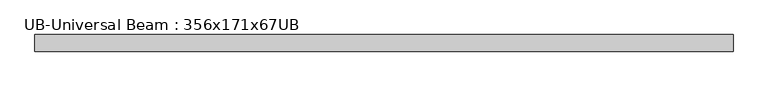
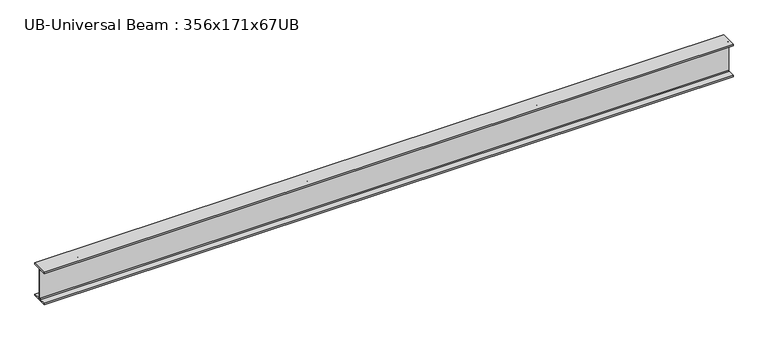
"""IFC4 building model written with IfcOpenShell, lengths in millimetres: beam geometry, UB-Universal Beam : 356x171x67UB."""

import ifcopenshell
import ifcopenshell.guid

model = None  # the IFC model being written
_history = None  # IfcOwnerHistory: only IFC2X3 demands one
_inside = {}  # id of a spatial element -> (the spatial element, [elements in it])
_under = {}  # id of a project, library or spatial element -> (it, [spatial elements below it])
_declared = {}  # id of a project -> (the project, [libraries it declares])
_typed = {}  # id of a type object -> (the type object, [elements of that type])
_made_of = {}  # id of a material, layer set ... -> (it, [elements and type objects made of it])


def new_model(schema):
    """Start an empty IFC model of exactly this schema.

    Asked for "IFC4X3", IfcOpenShell would pick the latest addendum, in which some entities
    have other attributes; the version numbers below select the first issue.
    IFC2X3 requires an IfcOwnerHistory on every rooted entity: one is made here for all.
    """
    global model, _history
    if schema == "IFC4X3":
        model = ifcopenshell.file(schema_version=(4, 3, 0, 0))
    else:
        model = ifcopenshell.file(schema=schema)
    _inside.clear()
    _under.clear()
    _declared.clear()
    _typed.clear()
    _made_of.clear()
    _history = None
    if model.schema == "IFC2X3":
        org = make("IfcOrganization", Name="unknown")
        user = make(
            "IfcPersonAndOrganization",
            ThePerson=make("IfcPerson", FamilyName="unknown"),
            TheOrganization=org,
        )
        app = make(
            "IfcApplication",
            ApplicationDeveloper=org,
            Version="unknown",
            ApplicationFullName="unknown",
            ApplicationIdentifier="unknown",
        )
        _history = make(
            "IfcOwnerHistory",
            OwningUser=user,
            OwningApplication=app,
            ChangeAction="ADDED",
            CreationDate=0,
        )
    return model


def make(cls, **values):
    """One entity of the class cls with the attributes given. An attribute that is None is left unset."""
    return model.create_entity(
        cls, **{name: value for name, value in values.items() if value is not None}
    )


def rooted(cls, **values):
    """An entity with a GlobalId (a new one), such as an element, a storey or a relation."""
    return make(cls, GlobalId=ifcopenshell.guid.new(), OwnerHistory=_history, **values)


def si_unit(unit_type, name, prefix=None):
    """IfcSIUnit, for example si_unit("LENGTHUNIT", "METRE", prefix="MILLI")."""
    return make("IfcSIUnit", UnitType=unit_type, Prefix=prefix, Name=name)


def assignment(units):
    """IfcUnitAssignment: the units of a project."""
    return None if units is None else make("IfcUnitAssignment", Units=units)


def point(xyz):
    """IfcCartesianPoint."""
    return None if xyz is None else make("IfcCartesianPoint", Coordinates=xyz)


def direction(xyz):
    """IfcDirection."""
    return None if xyz is None else make("IfcDirection", DirectionRatios=xyz)


def frame(location, z_axis=None, x_axis=None):
    """IfcAxis2Placement3D, a coordinate frame: its origin and axes. An axis left out is left unset."""
    return make(
        "IfcAxis2Placement3D",
        Location=point(location),
        Axis=direction(z_axis),
        RefDirection=direction(x_axis),
    )


def frame_2d(location, x_axis=None):
    """IfcAxis2Placement2D, a coordinate frame in the plane: its origin and x axis."""
    return make(
        "IfcAxis2Placement2D", Location=point(location), RefDirection=direction(x_axis)
    )


def origin():
    """The frame at (0, 0, 0) with its axes left unset."""
    return frame((0.0, 0.0, 0.0))


def place(relative_to, where):
    """IfcLocalPlacement: puts the frame where relative to a parent placement (None: the world)."""
    return make(
        "IfcLocalPlacement", PlacementRelTo=relative_to, RelativePlacement=where
    )


def context(
    kind, dimensions, precision=None, world=None, true_north=None, identifier=None
):
    """IfcGeometricRepresentationContext, for example the 3D "Model" context."""
    return make(
        "IfcGeometricRepresentationContext",
        ContextIdentifier=identifier,
        ContextType=kind,
        CoordinateSpaceDimension=dimensions,
        Precision=precision,
        WorldCoordinateSystem=world,
        TrueNorth=true_north,
    )


def project(units=None, contexts=None):
    """IfcProject with its units and contexts."""
    return rooted(
        "IfcProject",
        Name="project",
        RepresentationContexts=contexts,
        UnitsInContext=assignment(units),
    )


def spatial(cls, under=None, at=None, **own):
    """A site, building, storey or space (cls), placed at a placement, below another one or the project."""
    s = rooted(cls, ObjectPlacement=at, **own)
    if under is not None:
        _under.setdefault(under.id(), (under, []))[1].append(s)
    return s


def polyline(points):
    """IfcPolyline through the points."""
    return make("IfcPolyline", Points=[point(p) for p in points])


def circle_curve(where, radius):
    """IfcCircle in the frame where."""
    return make("IfcCircle", Position=where, Radius=radius)


def trimmed(basis, trim1, trim2, sense, master):
    """IfcTrimmedCurve: the piece of a basis curve between two trims."""
    return make(
        "IfcTrimmedCurve",
        BasisCurve=basis,
        Trim1=trim1,
        Trim2=trim2,
        SenseAgreement=sense,
        MasterRepresentation=master,
    )


def segment(curve, same_sense, transition):
    """IfcCompositeCurveSegment."""
    return make(
        "IfcCompositeCurveSegment",
        Transition=transition,
        SameSense=same_sense,
        ParentCurve=curve,
    )


def composite_curve(segments, self_intersect=None):
    """IfcCompositeCurve: segments joined end to end."""
    return make("IfcCompositeCurve", Segments=segments, SelfIntersect=self_intersect)


def outline(outer, holes=None, kind="AREA"):
    """IfcArbitraryClosedProfileDef: a profile drawn as a closed curve; with holes, ...WithVoids."""
    if holes is None:
        return make("IfcArbitraryClosedProfileDef", ProfileType=kind, OuterCurve=outer)
    return make(
        "IfcArbitraryProfileDefWithVoids",
        ProfileType=kind,
        OuterCurve=outer,
        InnerCurves=holes,
    )


def extrude(swept, where, along, depth):
    """IfcExtrudedAreaSolid: the profile swept, set in the frame where, extruded along a direction by depth."""
    return make(
        "IfcExtrudedAreaSolid",
        SweptArea=swept,
        Position=where,
        ExtrudedDirection=direction(along),
        Depth=depth,
    )


def shape(context_of_items, identifier, shape_type, items):
    """IfcShapeRepresentation: the items that make up one representation, for example the "Body"."""
    return make(
        "IfcShapeRepresentation",
        ContextOfItems=context_of_items,
        RepresentationIdentifier=identifier,
        RepresentationType=shape_type,
        Items=items,
    )


def source(mapping_origin, context_of_items, identifier, shape_type, items):
    """IfcRepresentationMap: a shape defined once, which mapped items show again and again."""
    return make(
        "IfcRepresentationMap",
        MappingOrigin=mapping_origin,
        MappedRepresentation=shape(context_of_items, identifier, shape_type, items),
    )


def transform(
    local_origin,
    x_axis=None,
    y_axis=None,
    z_axis=None,
    scale=None,
    scale2=None,
    scale3=None,
    uniform=True,
):
    """IfcCartesianTransformationOperator3D, or its non-uniform kind. x_axis, y_axis, z_axis: its Axis1, 2, 3."""
    if uniform:
        return make(
            "IfcCartesianTransformationOperator3D",
            Axis1=direction(x_axis),
            Axis2=direction(y_axis),
            LocalOrigin=point(local_origin),
            Scale=scale,
            Axis3=direction(z_axis),
        )
    return make(
        "IfcCartesianTransformationOperator3DnonUniform",
        Axis1=direction(x_axis),
        Axis2=direction(y_axis),
        LocalOrigin=point(local_origin),
        Scale=scale,
        Axis3=direction(z_axis),
        Scale2=scale2,
        Scale3=scale3,
    )


def mapped(mapping_source, mapping_target):
    """IfcMappedItem: shows the shape of a source again, moved by a transform."""
    return make(
        "IfcMappedItem", MappingSource=mapping_source, MappingTarget=mapping_target
    )


def made_of(thing, what):
    """Note that an element or type object is made of a material, layer set ...; save() writes the relation."""
    if what is not None:
        _made_of.setdefault(what.id(), (what, []))[1].append(thing)
    return thing


def element(
    cls,
    number,
    at=None,
    inside=None,
    cuts=None,
    type_object=None,
    material=None,
    context=None,
    identifier="Body",
    shape_type=None,
    held_by="IfcProductDefinitionShape",
    body=None,
    shapes=None,
    **own,
):
    """One element of the class cls, such as IfcWall. Its Tag is "e" and its number.

    at: its placement. inside: the storey or other place that contains it. cuts: it is an
    opening in that element (IfcRelVoidsElement). A single representation is given by context,
    identifier, shape_type and body (its items); several are given by shapes. held_by: the class
    of the entity that holds the representations. save() writes the other relations.
    """
    e = rooted(cls, Tag="e%d" % number, ObjectPlacement=at, **own)
    if body is not None:
        shapes = [shape(context, identifier, shape_type, body)]
    if shapes is not None:
        e.Representation = make(held_by, Representations=shapes)
    if inside is not None:
        _inside.setdefault(inside.id(), (inside, []))[1].append(e)
    if cuts is not None:
        rooted(
            "IfcRelVoidsElement", RelatingBuildingElement=cuts, RelatedOpeningElement=e
        )
    if type_object is not None:
        _typed.setdefault(type_object.id(), (type_object, []))[1].append(e)
    return made_of(e, material)


def aggregate(whole, parts):
    """IfcRelAggregates: a whole, such as a stair, and the parts it consists of."""
    return rooted("IfcRelAggregates", RelatingObject=whole, RelatedObjects=parts)


def save(model, path):
    """Write the relations noted so far, then the file.

    IfcRelAggregates (storeys below a building ...), IfcRelContainedInSpatialStructure (elements
    in a storey), IfcRelDefinesByType, IfcRelAssociatesMaterial and IfcRelDeclares: one each for
    every whole, place, type object, material and project.
    """
    for whole, parts in _under.values():
        aggregate(whole, parts)
    for where, things in _inside.values():
        rooted(
            "IfcRelContainedInSpatialStructure",
            RelatedElements=things,
            RelatingStructure=where,
        )
    for kind, things in _typed.values():
        rooted("IfcRelDefinesByType", RelatedObjects=things, RelatingType=kind)
    for what, things in _made_of.values():
        rooted("IfcRelAssociatesMaterial", RelatedObjects=things, RelatingMaterial=what)
    for by, libraries in _declared.values():
        rooted("IfcRelDeclares", RelatingContext=by, RelatedDefinitions=libraries)
    model.write(path)


def ub_universal_beam_356x171x67ub_46ae002a(model_context):
    return source(origin(), model_context, "Body", "SweptSolid", [
        extrude(outline(composite_curve([segment(polyline([(86.6, -166.0), (86.6, -181.7), (-86.6, -181.7), (-86.6, -166.0), (-14.75, -166.0)]), True, "CONTINUOUS"), segment(trimmed(circle_curve(frame_2d((-14.75, -155.8)), 10.2), [point((-14.75, -166.0))], [point((-4.55, -155.8))], True, "CARTESIAN"), True, "CONTINUOUS"), segment(polyline([(-4.55, -155.8), (-4.55, 155.8)]), True, "CONTINUOUS"), segment(trimmed(circle_curve(frame_2d((-14.75, 155.8)), 10.2), [point((-4.55, 155.8))], [point((-14.75, 166.0))], True, "CARTESIAN"), True, "CONTINUOUS"), segment(polyline([(-14.75, 166.0), (-86.6, 166.0), (-86.6, 181.7), (86.6, 181.7), (86.6, 166.0), (14.75, 166.0)]), True, "CONTINUOUS"), segment(trimmed(circle_curve(frame_2d((14.75, 155.8)), 10.2), [point((14.75, 166.0))], [point((4.55, 155.8))], True, "CARTESIAN"), True, "CONTINUOUS"), segment(polyline([(4.55, 155.8), (4.55, -155.8)]), True, "CONTINUOUS"), segment(trimmed(circle_curve(frame_2d((14.75, -155.8)), 10.2), [point((4.55, -155.8))], [point((14.75, -166.0))], True, "CARTESIAN"), True, "CONTINUOUS"), segment(polyline([(14.75, -166.0), (86.6, -166.0)]), True, "CONTINUOUS")], self_intersect=False)), frame((-3642.3, 0.0, 0.0), z_axis=(1.0, 0.0, 0.0), x_axis=(0.0, 1.0, 0.0)), (0.0, 0.0, 1.0), 7284.6),
    ])


if __name__ == "__main__":
    model = new_model("IFC4")
    model_context = context("Model", 3, world=origin())
    ifc_project = project(units=[si_unit("LENGTHUNIT", "METRE", prefix="MILLI")], contexts=[model_context])
    site = spatial("IfcSite", under=ifc_project)
    building = spatial("IfcBuilding", under=site)
    placement = place(None, origin())
    ub_universal_beam_356x171x67ub_shape = ub_universal_beam_356x171x67ub_46ae002a(model_context)
    element("IfcBeam", 1, ObjectType="UB-Universal Beam : 356x171x67UB", at=placement, inside=building, context=model_context, shape_type="MappedRepresentation", body=[
        mapped(ub_universal_beam_356x171x67ub_shape, transform((0.0, 0.0, 0.0), x_axis=(1.0, 0.0, 0.0), y_axis=(0.0, 1.0, 0.0), z_axis=(0.0, 0.0, 1.0))),
    ])
    save(model, "model.ifc")
